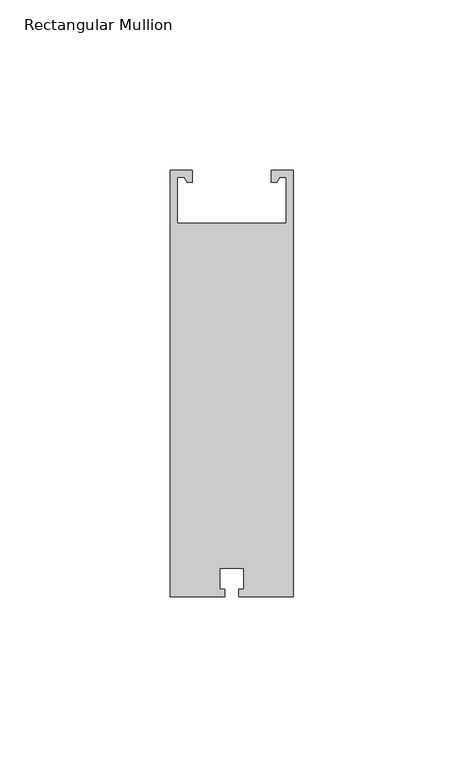
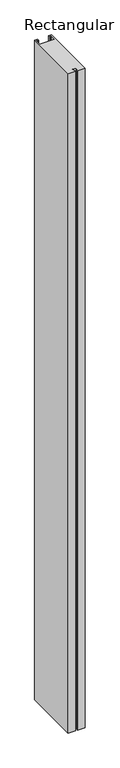
"""IFC4 building model written with IfcOpenShell, lengths in millimetres: member geometry, Rectangular Mullion."""

from ifc_helpers import new_model, si_unit, frame, origin, place, context, project, spatial, polyline, outline, extrude, source, transform, mapped, element, save


def rectangular_mullion_f856fb73(model_context):
    return source(origin(), model_context, "Body", "SweptSolid", [
        extrude(outline(polyline([(-31.1339746, 121.5), (-32.0, 123.0), (-34.0, 123.0), (-34.0, 109.5), (-2.0, 109.5), (-2.0, 123.0), (-4.0, 123.0), (-4.8660254, 121.5), (-6.4, 121.5), (-6.4, 125.0), (0.0, 125.0), (0.0, 0.0), (-15.95, 0.0), (-15.95, 2.1), (-14.5, 2.1), (-14.5, 8.3), (-21.5, 8.3), (-21.5, 2.1), (-20.05, 2.1), (-20.05, 0.0), (-36.0, 0.0), (-36.0, 125.0), (-29.6, 125.0), (-29.6, 121.5), (-31.1339746, 121.5)])), frame((0.0, 0.0, -1500.0), z_axis=(0.0, 0.0, 1.0), x_axis=(1.0, 0.0, 0.0)), (0.0, 0.0, 1.0), 1500.0),
    ])


if __name__ == "__main__":
    model = new_model("IFC4")
    model_context = context("Model", 3, world=origin())
    ifc_project = project(units=[si_unit("LENGTHUNIT", "METRE", prefix="MILLI")], contexts=[model_context])
    site = spatial("IfcSite", under=ifc_project)
    building = spatial("IfcBuilding", under=site)
    placement = place(None, origin())
    rectangular_mullion_shape = rectangular_mullion_f856fb73(model_context)
    element("IfcMember", 1, ObjectType="Rectangular Mullion", at=placement, inside=building, context=model_context, shape_type="MappedRepresentation", body=[
        mapped(rectangular_mullion_shape, transform((0.0, 0.0, 0.0), x_axis=(1.0, 0.0, 0.0), y_axis=(0.0, 1.0, 0.0), z_axis=(0.0, 0.0, 1.0))),
    ])
    save(model, "model.ifc")
